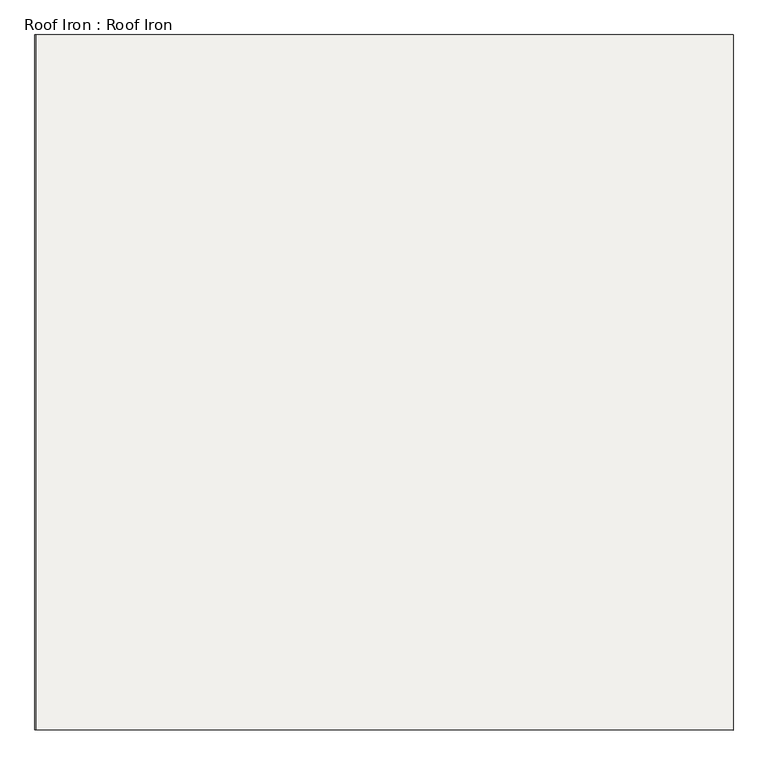
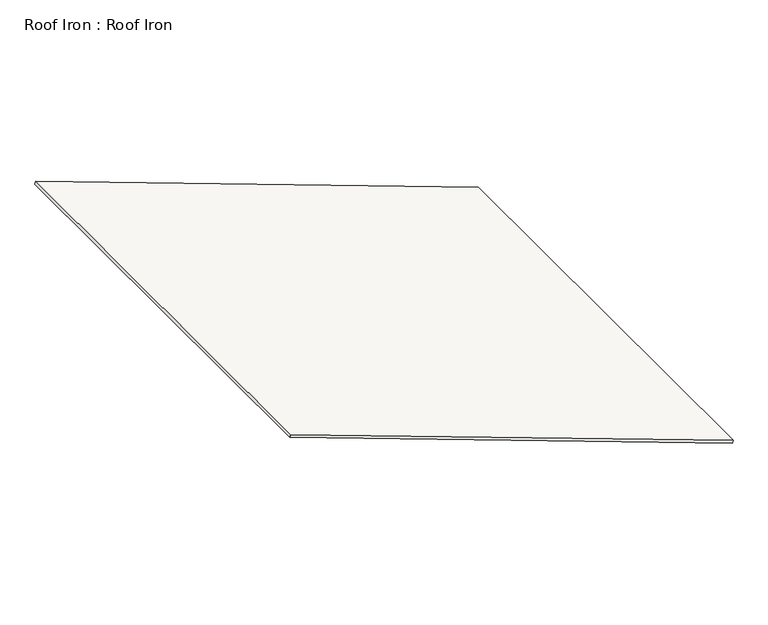
"""IFC4 building model written with IfcOpenShell, lengths in millimetres: roof geometry, Roof Iron : Roof Iron."""

from ifc_helpers import new_model, si_unit, frame, origin, place, context, project, spatial, polyline, outline, extrude, source, transform, mapped, element, save


def roof_iron_roof_iron_cdfb8184(model_context):
    return source(origin(), model_context, "Body", "SweptSolid", [
        extrude(outline(polyline([(1196.1202209, 0.0), (1196.1202209, -2160.0), (-1107.6883267, -2160.0), (-1107.6883267, 0.0), (1196.1202209, 0.0)])), frame((552.7502759, 9722.3906451, 495.7465881), z_axis=(0.3420201433256684, 0.0, 0.9396926207859086), x_axis=(0.9396926207859086, 0.0, -0.3420201433256684)), (0.0, 0.0, 1.0), 14.1407877),
    ])


if __name__ == "__main__":
    model = new_model("IFC4")
    model_context = context("Model", 3, world=origin())
    ifc_project = project(units=[si_unit("LENGTHUNIT", "METRE", prefix="MILLI")], contexts=[model_context])
    site = spatial("IfcSite", under=ifc_project)
    building = spatial("IfcBuilding", under=site)
    placement = place(None, origin())
    roof_iron_roof_iron_shape = roof_iron_roof_iron_cdfb8184(model_context)
    element("IfcRoof", 1, ObjectType="Roof Iron : Roof Iron", at=placement, inside=building, context=model_context, shape_type="MappedRepresentation", body=[
        mapped(roof_iron_roof_iron_shape, transform((0.0, 0.0, 0.0), x_axis=(1.0, 0.0, 0.0), y_axis=(0.0, 1.0, 0.0), z_axis=(0.0, 0.0, 1.0))),
    ])
    save(model, "model.ifc")
